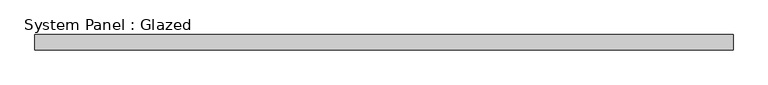
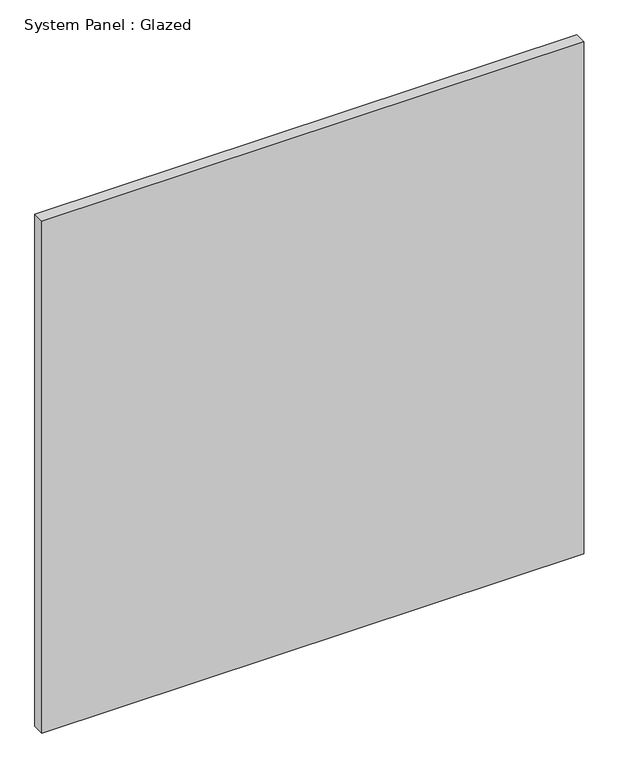
"""IFC4 building model written with IfcOpenShell, lengths in millimetres: plate geometry, System Panel : Glazed."""

from ifc_helpers import new_model, si_unit, origin, origin_with_axes, place, context, project, spatial, polyline, outline, extrude, source, transform, mapped, element, save


def system_panel_glazed_0351a627(model_context):
    return source(origin(), model_context, "Body", "SweptSolid", [
        extrude(outline(polyline([(578.6374229, -12.7), (-578.6374229, -12.7), (-578.6374229, 12.7), (578.6374229, 12.7), (578.6374229, -12.7)])), origin_with_axes(), (0.0, 0.0, 1.0), 1155.5872452),
    ])


if __name__ == "__main__":
    model = new_model("IFC4")
    model_context = context("Model", 3, world=origin())
    ifc_project = project(units=[si_unit("LENGTHUNIT", "METRE", prefix="MILLI")], contexts=[model_context])
    site = spatial("IfcSite", under=ifc_project)
    building = spatial("IfcBuilding", under=site)
    placement = place(None, origin())
    system_panel_glazed_shape = system_panel_glazed_0351a627(model_context)
    element("IfcPlate", 1, ObjectType="System Panel : Glazed", at=placement, inside=building, context=model_context, shape_type="MappedRepresentation", body=[
        mapped(system_panel_glazed_shape, transform((0.0, 0.0, 0.0), x_axis=(1.0, 0.0, 0.0), y_axis=(0.0, 1.0, 0.0), z_axis=(0.0, 0.0, 1.0))),
    ])
    save(model, "model.ifc")
